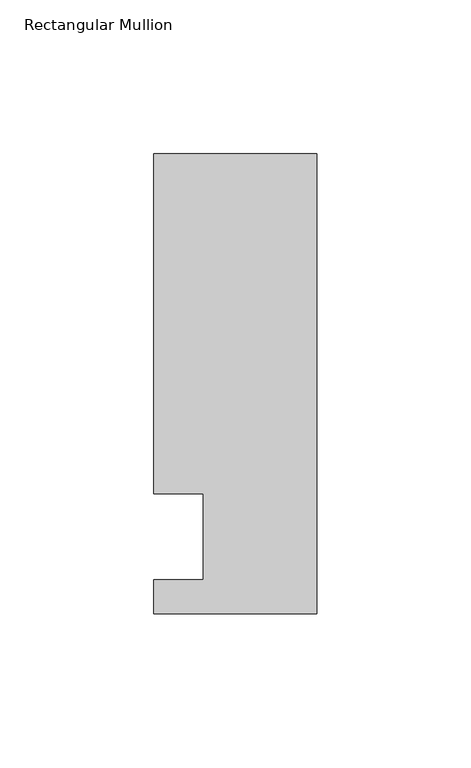
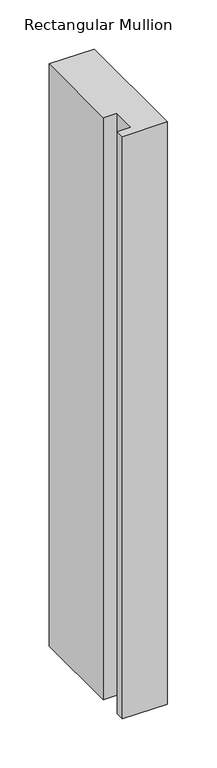
"""IFC4 building model written with IfcOpenShell, lengths in millimetres: member geometry, Rectangular Mullion."""

from ifc_helpers import new_model, si_unit, frame, origin, place, context, project, spatial, polyline, outline, extrude, source, transform, mapped, element, save


def rectangular_mullion_27feea26(model_context):
    return source(origin(), model_context, "Body", "SweptSolid", [
        extrude(outline(polyline([(-37.0, -13.9999453), (-37.0, 14.0000547), (-53.0, 14.0000547), (-53.0, 124.5000547), (0.0, 124.5000547), (0.0, -24.9999453), (-53.0, -24.9999453), (-53.0, -13.9999453), (-37.0, -13.9999453)])), frame((0.0, 0.0, -724.000019), z_axis=(0.0, 0.0, 1.0), x_axis=(1.0, 0.0, 0.0)), (0.0, 0.0, 1.0), 724.000019),
    ])


if __name__ == "__main__":
    model = new_model("IFC4")
    model_context = context("Model", 3, world=origin())
    ifc_project = project(units=[si_unit("LENGTHUNIT", "METRE", prefix="MILLI")], contexts=[model_context])
    site = spatial("IfcSite", under=ifc_project)
    building = spatial("IfcBuilding", under=site)
    placement = place(None, origin())
    rectangular_mullion_shape = rectangular_mullion_27feea26(model_context)
    element("IfcMember", 1, ObjectType="Rectangular Mullion", at=placement, inside=building, context=model_context, shape_type="MappedRepresentation", body=[
        mapped(rectangular_mullion_shape, transform((0.0, 0.0, 0.0), x_axis=(1.0, 0.0, 0.0), y_axis=(0.0, 1.0, 0.0), z_axis=(0.0, 0.0, 1.0))),
    ])
    save(model, "model.ifc")
